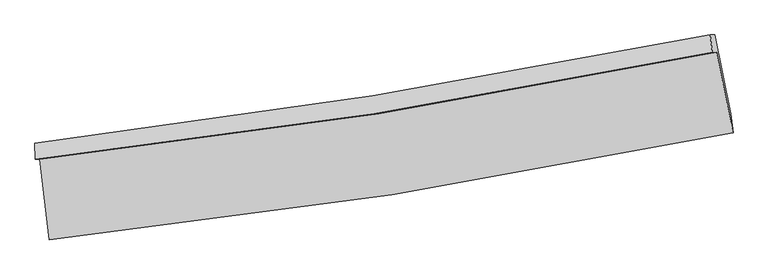
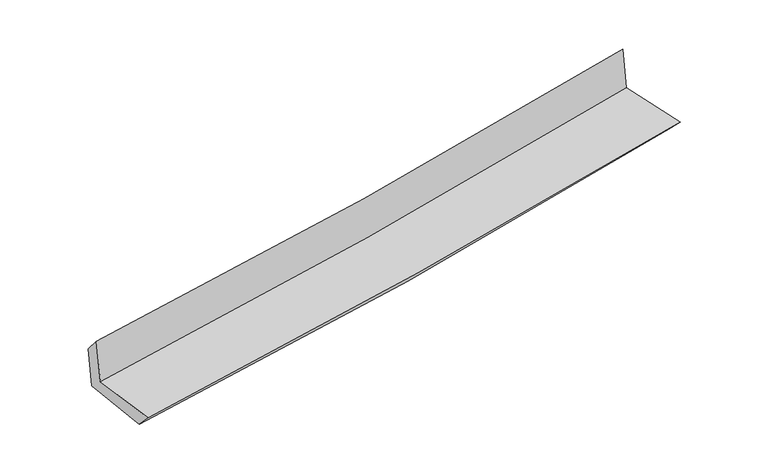
"""IFC4 building model written with IfcOpenShell, lengths in millimetres: proxy geometry."""

from ifc_helpers import new_model, si_unit, frame, origin, place, context, project, spatial, source, transform, mapped, element, save
from ifc_brep_helpers import plane_surface, spline_curve, spline_surface, advanced_brep


def generic_models_c62205ac(model_context):
    return source(origin(), model_context, "Body", "AdvancedBrep", [
        advanced_brep(
        [(-2775.0703711, -1917.4388936, 1645.8728351), (-2697.2006907, -2571.0804849, 1649.6131395), (2855.159898, -1702.8253453, 2151.9428966), (2721.2454288, -1047.7962318, 2148.3524051), (-2811.6519575, -1917.0020594, 2064.6304275), (2685.9177612, -1047.3846964, 2547.6602578), (-2813.7327462, -1785.5315624, 1908.1844969), (2670.0393572, -907.8215685, 2403.5256911), (-2780.3018687, -1785.9932071, 1525.5793964), (2704.3142446, -908.22084, 2016.1173896), (-2701.2371619, -2427.6773885, 1499.2219473), (2836.9404996, -1545.9849934, 1994.2176449)],
        [
            (0, 1),
            (1, 2, spline_curve(3, [(-2697.2006907, -2571.0804849, 1649.6131395), (-1767.510858296, -2470.641302715, 1743.060810601), (-840.78221358, -2348.23398576, 1831.580163318), (1010.025669743, -2058.971550503, 1999.058400424), (1934.083887926, -1891.960487625, 2077.98230019), (2855.159898, -1702.8253453, 2151.9428966)], [4, 2, 4], [0.0, 9.19748209623462, 18.427551477503272])),
            (2, 3),
            (3, 0, spline_curve(3, [(2721.2454288, -1047.7962318, 2148.3524051), (1809.729415707, -1236.630794147, 2072.71681477), (895.129675029, -1403.607869009, 1992.944370664), (-936.997327739, -1693.334690233, 1825.422021685), (-1854.502853757, -1816.238502964, 1737.701275682), (-2775.0703711, -1917.4388936, 1645.8728351)], [4, 2, 4], [0.0, 9.230069381268653, 18.427551477503272])),
            (4, 0),
            (3, 5),
            (5, 4, spline_curve(3, [(2685.9177612, -1047.3846964, 2547.6602578), (1774.471134424, -1236.237082345, 2472.105316826), (859.801162148, -1403.220937594, 2393.99967507), (-972.744797374, -1692.939248298, 2232.971752934), (-1890.598065138, -1815.827847334, 2150.067451029), (-2811.6519575, -1917.0020594, 2064.6304275)], [4, 2, 4], [0.0, 9.184466879122995, 18.336507475440033])),
            (6, 4),
            (5, 7),
            (7, 6, spline_curve(3, [(2670.0393572, -907.8215685, 2403.5256911), (1759.842598707, -1091.32561919, 2327.189311391), (846.950326999, -1256.316808818, 2247.664062529), (-980.99270704, -1548.75631591, 2082.52785377), (-1896.02446996, -1676.335124254, 1996.939371175), (-2813.7327462, -1785.5315624, 1908.1844969)], [4, 2, 4], [0.0, 9.174385677786322, 18.31638066502151])),
            (8, 6),
            (7, 9),
            (9, 8, spline_curve(3, [(2704.3142446, -908.22084, 2016.1173896), (1794.705948407, -1091.747727066, 1932.282895212), (882.036804785, -1256.755530727, 1849.416902745), (-946.190141156, -1549.215785311, 1685.911065005), (-1861.726368622, -1676.798770422, 1605.264393256), (-2780.3018687, -1785.9932071, 1525.5793964)], [4, 2, 4], [0.0, 9.16503390714361, 18.297710140694345])),
            (10, 8),
            (9, 11),
            (11, 10, spline_curve(3, [(2836.9404996, -1545.9849934, 1994.2176449), (1919.212853845, -1735.547988197, 1909.445330434), (998.011951615, -1903.896334043, 1825.73846661), (-848.071750696, -2197.644264668, 1660.7474108), (-1772.930069025, -2323.193383713, 1579.45570857), (-2701.2371619, -2427.6773885, 1499.2219473)], [4, 2, 4], [0.0, 9.209847525397322, 18.38717916017315])),
            (1, 10),
            (11, 2),
        ],
        [
            spline_surface(3, 3, [[(-2775.0703711, -1917.4388936, 1645.8728351), (-1854.502853743, -1816.238502839, 1737.70127562), (-936.997327727, -1693.334690377, 1825.422021559), (895.129675017, -1403.607868865, 1992.94437079), (1809.729415638, -1236.630794063, 2072.716814849), (2721.2454288, -1047.7962318, 2148.3524051)], [(-2749.113810994, -2135.319424008, 1647.119603238), (-1825.505521992, -2034.372769406, 1739.487787326), (-904.925623035, -1911.634455466, 1827.474735526), (933.428339947, -1622.062429459, 1994.982380661), (1851.180906387, -1455.07402527, 2074.471976578), (2765.883585192, -1266.13926961, 2149.549235596)], [(-2723.157250806, -2353.199954492, 1648.366371362), (-1796.50819016, -2252.50703605, 1741.27429902), (-872.853918339, -2129.934220541, 1829.527449434), (971.727004879, -1840.516990039, 1997.020390471), (1892.632397162, -1673.517256548, 2076.22713832), (2810.521741608, -1484.48230749, 2150.746066104)], [(-2697.2006907, -2571.0804849, 1649.6131395), (-1767.510858409, -2470.641302618, 1743.060810726), (-840.782213646, -2348.23398563, 1831.580163401), (1010.025669809, -2058.971550633, 1999.058400341), (1934.083887911, -1891.960487755, 2077.982300048), (2855.159898, -1702.8253453, 2151.9428966)]], [4, 4], [4, 2, 4], [0.0, 2.17721474677515], [0.0, 9.19748209623462, 18.427551477503272]),
            spline_surface(3, 3, [[(-2811.6519575, -1917.0020594, 2064.6304275), (-1890.598065014, -1815.827847479, 2150.067450933), (-972.744797516, -1692.939248319, 2232.97175279), (859.80116229, -1403.220937574, 2393.999675215), (1774.471134338, -1236.237082418, 2472.105316793), (2685.9177612, -1047.3846964, 2547.6602578)], [(-2799.458095336, -1917.147670811, 1925.044563375), (-1878.566327893, -1815.96473261, 2012.612059171), (-960.828974264, -1693.071062333, 2097.12184238), (871.577333188, -1403.349914666, 2260.314573741), (1786.22389479, -1236.368319651, 2338.975816156), (2697.693650419, -1047.521874885, 2414.557640244)], [(-2787.264233264, -1917.293282189, 1785.458699225), (-1866.534590864, -1816.101617707, 1875.156667382), (-948.913150979, -1693.202876362, 1961.271931969), (883.353504119, -1403.478891772, 2126.629472264), (1797.976655185, -1236.49955683, 2205.846315487), (2709.469539581, -1047.659053315, 2281.455022656)], [(-2775.0703711, -1917.4388936, 1645.8728351), (-1854.502853743, -1816.238502839, 1737.70127562), (-936.997327727, -1693.334690377, 1825.422021559), (895.129675017, -1403.607868865, 1992.94437079), (1809.729415638, -1236.630794063, 2072.716814849), (2721.2454288, -1047.7962318, 2148.3524051)]], [4, 4], [4, 2, 4], [0.0, 1.3315291874232678], [0.0, 9.152040596317038, 18.336507475440033]),
            spline_surface(3, 3, [[(-2813.7327462, -1785.5315624, 1908.1844969), (-1896.024470053, -1676.335124332, 1996.939371247), (-980.99270711, -1548.756316025, 2082.527853839), (846.950327069, -1256.316808702, 2247.664062459), (1759.842598617, -1091.325619071, 2327.189311262), (2670.0393572, -907.8215685, 2403.5256911)], [(-2813.039149977, -1829.355061396, 1960.333140422), (-1894.215668384, -1722.83269871, 2047.982064465), (-978.2434039, -1596.817293462, 2132.675820145), (851.233938821, -1305.284851665, 2296.442600034), (1764.718777202, -1139.629440188, 2375.494646425), (2675.332158545, -954.342611135, 2451.570546652)], [(-2812.345553723, -1873.178560404, 2012.481783978), (-1892.406866683, -1769.330273101, 2099.024757716), (-975.494100726, -1644.878270882, 2182.823786483), (855.517550537, -1354.252894611, 2345.22113764), (1769.594955752, -1187.933261301, 2423.799981631), (2680.624959855, -1000.863653765, 2499.615402248)], [(-2811.6519575, -1917.0020594, 2064.6304275), (-1890.598065014, -1815.827847479, 2150.067450933), (-972.744797516, -1692.939248319, 2232.97175279), (859.80116229, -1403.220937574, 2393.999675215), (1774.471134338, -1236.237082418, 2472.105316793), (2685.9177612, -1047.3846964, 2547.6602578)]], [4, 4], [4, 2, 4], [0.0, 0.6828021156001393], [0.0, 9.141994987235186, 18.31638066502151]),
            spline_surface(3, 3, [[(-2780.3018687, -1785.9932071, 1525.5793964), (-1861.726368506, -1676.798770535, 1605.264393113), (-946.19014116, -1549.215785272, 1685.911064995), (882.036804789, -1256.755530767, 1849.416902756), (1794.705948525, -1091.747726972, 1932.282895294), (2704.3142446, -908.22084, 2016.1173896)], [(-2791.445494542, -1785.839325555, 1653.114429894), (-1873.15906903, -1676.644221822, 1735.822719152), (-957.790996501, -1549.06262885, 1818.116661281), (870.341312192, -1256.609290072, 1982.165955996), (1783.08483186, -1091.607024333, 2063.91836729), (2692.889282104, -908.087749495, 2145.253490107)], [(-2802.589120358, -1785.685443945, 1780.649463406), (-1884.591769529, -1676.489673045, 1866.381045209), (-969.391851769, -1548.909472447, 1950.322257552), (858.645819667, -1256.463049397, 2114.915009219), (1771.463715283, -1091.46632171, 2195.553839266), (2681.464319696, -907.954659005, 2274.389590593)], [(-2813.7327462, -1785.5315624, 1908.1844969), (-1896.024470053, -1676.335124332, 1996.939371247), (-980.99270711, -1548.756316025, 2082.527853839), (846.950327069, -1256.316808702, 2247.664062459), (1759.842598617, -1091.325619071, 2327.189311262), (2670.0393572, -907.8215685, 2403.5256911)]], [4, 4], [4, 2, 4], [0.0, 1.3089514720684514], [0.0, 9.132676233550736, 18.297710140694345]),
            spline_surface(3, 3, [[(-2701.2371619, -2427.6773885, 1499.2219473), (-1772.930069028, -2323.193383628, 1579.455708711), (-848.071750663, -2197.644264556, 1660.74741076), (998.011951583, -1903.896334156, 1825.738466651), (1919.212853755, -1735.547988152, 1909.445330444), (2836.9404996, -1545.9849934, 1994.2176449)], [(-2727.592064167, -2213.782661365, 1508.007763682), (-1802.528835521, -2107.728512595, 1588.058603527), (-880.777880802, -1981.501438138, 1669.135295487), (959.353569345, -1688.182733036, 1833.631278668), (1877.71055204, -1520.947901081, 1917.057852054), (2792.731747961, -1333.396942256, 2001.517559793)], [(-2753.946966433, -1999.887934235, 1516.793580018), (-1832.127602014, -1892.263641568, 1596.661498297), (-913.484011021, -1765.35861169, 1677.523180267), (920.695187027, -1472.469131886, 1841.524090738), (1836.208250241, -1306.347814043, 1924.670373684), (2748.522996239, -1120.808891144, 2008.817474707)], [(-2780.3018687, -1785.9932071, 1525.5793964), (-1861.726368506, -1676.798770535, 1605.264393113), (-946.19014116, -1549.215785272, 1685.911064995), (882.036804789, -1256.755530767, 1849.416902756), (1794.705948525, -1091.747726972, 1932.282895294), (2704.3142446, -908.22084, 2016.1173896)]], [4, 4], [4, 2, 4], [0.0, 2.1555991716640657], [0.0, 9.177331634775829, 18.38717916017315]),
            spline_surface(3, 3, [[(-2697.2006907, -2571.0804849, 1649.6131395), (-1767.510858409, -2470.641302618, 1743.060810726), (-840.782213646, -2348.23398563, 1831.580163401), (1010.025669809, -2058.971550633, 1999.058400341), (1934.083887911, -1891.960487755, 2077.982300048), (2855.159898, -1702.8253453, 2151.9428966)], [(-2698.546181085, -2523.279452765, 1599.482742089), (-1769.317261934, -2421.491996287, 1688.52577671), (-843.212059321, -2298.037411929, 1774.635912522), (1006.021097064, -2007.279811798, 1941.285089113), (1929.126876505, -1839.822987907, 2021.803310189), (2849.086765179, -1650.54522802, 2099.367812709)], [(-2699.891671515, -2475.478420635, 1549.352344711), (-1771.123665504, -2372.34268996, 1633.990742727), (-845.641904988, -2247.840838257, 1717.691661638), (1002.016524327, -1955.588072991, 1883.511777879), (1924.169865161, -1787.685488, 1965.624320303), (2843.013632421, -1598.26511068, 2046.792728791)], [(-2701.2371619, -2427.6773885, 1499.2219473), (-1772.930069028, -2323.193383628, 1579.455708711), (-848.071750663, -2197.644264556, 1660.74741076), (998.011951583, -1903.896334156, 1825.738466651), (1919.212853755, -1735.547988152, 1909.445330444), (2836.9404996, -1545.9849934, 1994.2176449)]], [4, 4], [4, 2, 4], [0.0, 0.755770956197315], [0.0, 9.231994591439456, 18.49669874795728]),
            plane_surface(frame((2745.6028649, -1193.3389459, 2210.3027142), z_axis=(0.976000478208775, 0.20000619573663644, 0.08614283605269198), x_axis=(-0.08812798054893202, 0.0010266114611058967, 0.9961086311809948))),
            plane_surface(frame((-2763.1991327, -2067.4539326, 1715.5170404), z_axis=(-0.9892163881836158, -0.11834118745700896, -0.08629195037909006), x_axis=(-0.11829367266235422, 0.9929623971006729, -0.0056819848765586175))),
        ],
        [
            (0, [[1, 2, 3, 4]]),
            (1, [[5, -4, 6, 7]]),
            (2, [[8, -7, 9, 10]]),
            (3, [[11, -10, 12, 13]]),
            (4, [[14, -13, 15, 16]]),
            (5, [[17, -16, 18, -2]]),
            (6, [[-12, -9, -6, -3, -18, -15]]),
            (7, [[-1, -5, -8, -11, -14, -17]]),
        ],
    ),
    ])


if __name__ == "__main__":
    model = new_model("IFC4")
    model_context = context("Model", 3, world=origin())
    ifc_project = project(units=[si_unit("LENGTHUNIT", "METRE", prefix="MILLI")], contexts=[model_context])
    site = spatial("IfcSite", under=ifc_project)
    building = spatial("IfcBuilding", under=site)
    placement = place(None, origin())
    generic_models_shape = generic_models_c62205ac(model_context)
    element("IfcBuildingElementProxy", 1, Name="Generic Models", at=placement, inside=building, context=model_context, shape_type="MappedRepresentation", body=[
        mapped(generic_models_shape, transform((0.0, 0.0, 0.0), x_axis=(1.0, 0.0, 0.0), y_axis=(0.0, 1.0, 0.0), z_axis=(0.0, 0.0, 1.0))),
    ])
    save(model, "model.ifc")
